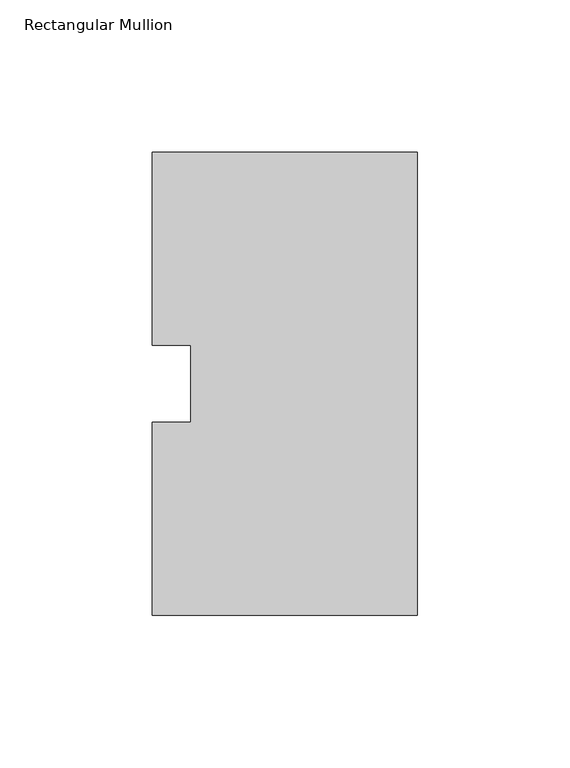
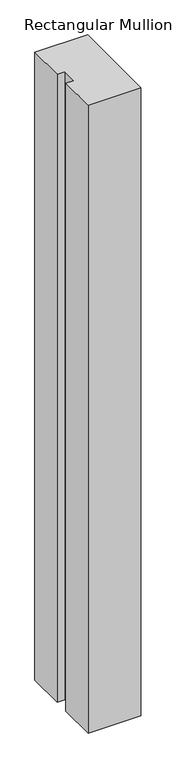
"""IFC4 building model written with IfcOpenShell, lengths in millimetres: member geometry, Rectangular Mullion."""

from ifc_helpers import new_model, si_unit, frame, origin, place, context, project, spatial, polyline, outline, extrude, source, transform, mapped, element, save


def rectangular_mullion_85c01760(model_context):
    return source(origin(), model_context, "Body", "SweptSolid", [
        extrude(outline(polyline([(-87.3125, 76.2), (0.0, 76.2), (0.0, -76.2), (-87.3125, -76.2), (-87.3125, -12.7), (-74.6107296, -12.7), (-74.6107296, 12.7), (-87.3125, 12.7), (-87.3125, 76.2)])), frame((0.0, 0.0, -1099.7094027), z_axis=(0.0, 0.0, 1.0), x_axis=(1.0, 0.0, 0.0)), (0.0, 0.0, 1.0), 1099.7094027),
    ])


if __name__ == "__main__":
    model = new_model("IFC4")
    model_context = context("Model", 3, world=origin())
    ifc_project = project(units=[si_unit("LENGTHUNIT", "METRE", prefix="MILLI")], contexts=[model_context])
    site = spatial("IfcSite", under=ifc_project)
    building = spatial("IfcBuilding", under=site)
    placement = place(None, origin())
    rectangular_mullion_shape = rectangular_mullion_85c01760(model_context)
    element("IfcMember", 1, ObjectType="Rectangular Mullion", at=placement, inside=building, context=model_context, shape_type="MappedRepresentation", body=[
        mapped(rectangular_mullion_shape, transform((0.0, 0.0, 0.0), x_axis=(1.0, 0.0, 0.0), y_axis=(0.0, 1.0, 0.0), z_axis=(0.0, 0.0, 1.0))),
    ])
    save(model, "model.ifc")
